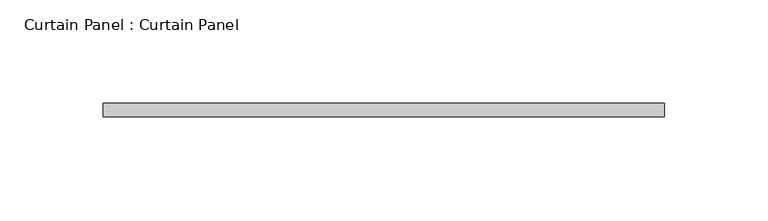
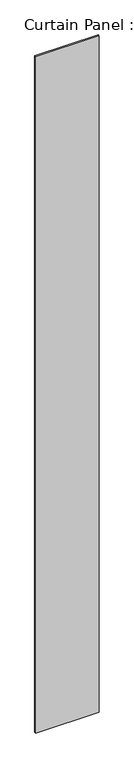
"""IFC4 building model written with IfcOpenShell, lengths in millimetres: plate geometry, Curtain Panel : Curtain Panel."""

from ifc_helpers import new_model, si_unit, origin, origin_with_axes, place, context, project, spatial, polyline, outline, extrude, source, transform, mapped, element, save


def curtain_panel_curtain_panel_5bd1da3c(model_context):
    return source(origin(), model_context, "Body", "SweptSolid", [
        extrude(outline(polyline([(-153399.9147406, 7994.1491496), (-153128.4522406, 7994.1491496), (-153128.4522406, 7987.7991496), (-153399.9147406, 7987.7991496), (-153399.9147406, 7994.1491496)])), origin_with_axes(), (0.0, 0.0, 1.0), 3048.0),
    ])


if __name__ == "__main__":
    model = new_model("IFC4")
    model_context = context("Model", 3, world=origin())
    ifc_project = project(units=[si_unit("LENGTHUNIT", "METRE", prefix="MILLI")], contexts=[model_context])
    site = spatial("IfcSite", under=ifc_project)
    building = spatial("IfcBuilding", under=site)
    placement = place(None, origin())
    curtain_panel_curtain_panel_shape = curtain_panel_curtain_panel_5bd1da3c(model_context)
    element("IfcPlate", 1, ObjectType="Curtain Panel : Curtain Panel", at=placement, inside=building, context=model_context, shape_type="MappedRepresentation", body=[
        mapped(curtain_panel_curtain_panel_shape, transform((0.0, 0.0, 0.0), x_axis=(1.0, 0.0, 0.0), y_axis=(0.0, 1.0, 0.0), z_axis=(0.0, 0.0, 1.0))),
    ])
    save(model, "model.ifc")
